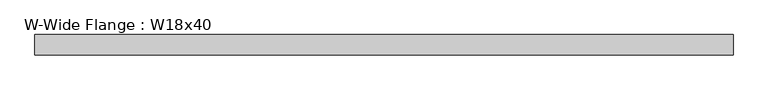
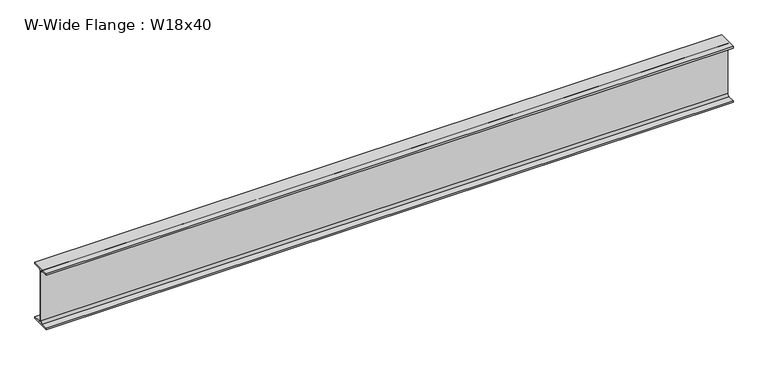
"""IFC4 building model written with IfcOpenShell, lengths in millimetres: beam geometry, W-Wide Flange : W18x40."""

from ifc_helpers import new_model, si_unit, point, frame, frame_2d, origin, place, context, project, spatial, polyline, circle_curve, trimmed, segment, composite_curve, outline, extrude, source, transform, mapped, element, save


def w_wide_flange_w18x40_d6461e2c(model_context):
    return source(origin(), model_context, "Body", "SweptSolid", [
        extrude(outline(composite_curve([segment(polyline([(76.454, -213.995), (76.454, -227.33), (-76.454, -227.33), (-76.454, -213.995), (-20.828, -213.995)]), True, "CONTINUOUS"), segment(trimmed(circle_curve(frame_2d((-20.828, -197.1675)), 16.8275), [point((-20.828, -213.995))], [point((-4.0005, -197.1675))], True, "CARTESIAN"), True, "CONTINUOUS"), segment(polyline([(-4.0005, -197.1675), (-4.0005, 197.1675)]), True, "CONTINUOUS"), segment(trimmed(circle_curve(frame_2d((-20.828, 197.1675)), 16.8275), [point((-4.0005, 197.1675))], [point((-20.828, 213.995))], True, "CARTESIAN"), True, "CONTINUOUS"), segment(polyline([(-20.828, 213.995), (-76.454, 213.995), (-76.454, 227.33), (76.454, 227.33), (76.454, 213.995), (20.828, 213.995)]), True, "CONTINUOUS"), segment(trimmed(circle_curve(frame_2d((20.828, 197.1675)), 16.8275), [point((20.828, 213.995))], [point((4.0005, 197.1675))], True, "CARTESIAN"), True, "CONTINUOUS"), segment(polyline([(4.0005, 197.1675), (4.0005, -197.1675)]), True, "CONTINUOUS"), segment(trimmed(circle_curve(frame_2d((20.828, -197.1675)), 16.8275), [point((4.0005, -197.1675))], [point((20.828, -213.995))], True, "CARTESIAN"), True, "CONTINUOUS"), segment(polyline([(20.828, -213.995), (76.454, -213.995)]), True, "CONTINUOUS")], self_intersect=False)), frame((-2630.17, 0.0, 0.0), z_axis=(1.0, 0.0, 0.0), x_axis=(0.0, 1.0, 0.0)), (0.0, 0.0, 1.0), 5260.34),
    ])


if __name__ == "__main__":
    model = new_model("IFC4")
    model_context = context("Model", 3, world=origin())
    ifc_project = project(units=[si_unit("LENGTHUNIT", "METRE", prefix="MILLI")], contexts=[model_context])
    site = spatial("IfcSite", under=ifc_project)
    building = spatial("IfcBuilding", under=site)
    placement = place(None, origin())
    w_wide_flange_w18x40_shape = w_wide_flange_w18x40_d6461e2c(model_context)
    element("IfcBeam", 1, ObjectType="W-Wide Flange : W18x40", at=placement, inside=building, context=model_context, shape_type="MappedRepresentation", body=[
        mapped(w_wide_flange_w18x40_shape, transform((0.0, 0.0, 0.0), x_axis=(1.0, 0.0, 0.0), y_axis=(0.0, 1.0, 0.0), z_axis=(0.0, 0.0, 1.0))),
    ])
    save(model, "model.ifc")
